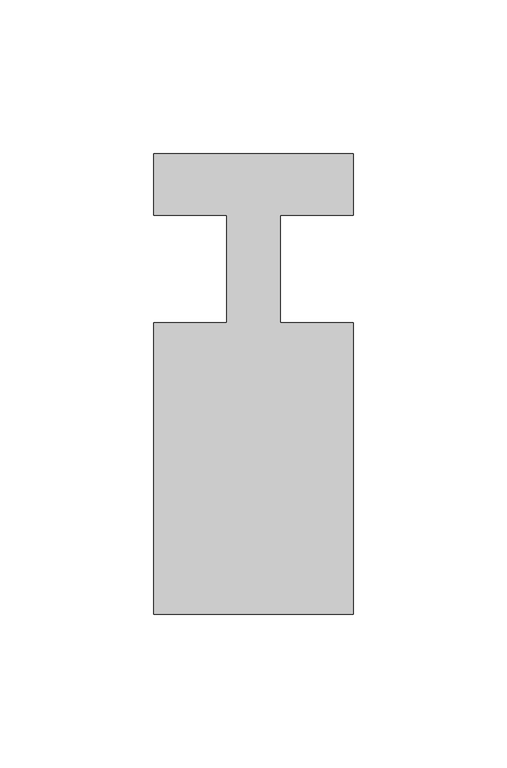
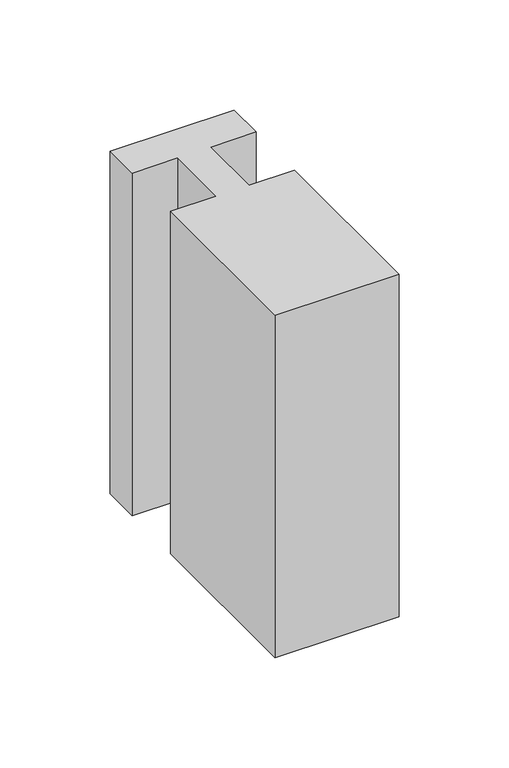
"""IFC4 building model written with IfcOpenShell, lengths in millimetres: member geometry."""

from ifc_helpers import new_model, si_unit, frame, origin, place, context, project, spatial, polyline, outline, extrude, source, transform, mapped, element, save


def member_ed47db3e(model_context):
    return source(origin(), model_context, "Body", "SweptSolid", [
        extrude(outline(polyline([(0.0, 37.0), (0.0, 17.0), (-23.8125, 17.0), (-23.8125, -18.0), (0.0, -18.0), (0.0, -113.0), (-65.0, -113.0), (-65.0, -18.0), (-41.1875, -18.0), (-41.1875, 17.0), (-65.0, 17.0), (-65.0, 37.0), (0.0, 37.0)])), frame((0.0, 0.0, -190.0), z_axis=(0.0, 0.0, 1.0), x_axis=(1.0, 0.0, 0.0)), (0.0, 0.0, 1.0), 190.0),
    ])


if __name__ == "__main__":
    model = new_model("IFC4")
    model_context = context("Model", 3, world=origin())
    ifc_project = project(units=[si_unit("LENGTHUNIT", "METRE", prefix="MILLI")], contexts=[model_context])
    site = spatial("IfcSite", under=ifc_project)
    building = spatial("IfcBuilding", under=site)
    placement = place(None, origin())
    member_shape = member_ed47db3e(model_context)
    element("IfcMember", 1, at=placement, inside=building, context=model_context, shape_type="MappedRepresentation", body=[
        mapped(member_shape, transform((0.0, 0.0, 0.0), x_axis=(1.0, 0.0, 0.0), y_axis=(0.0, 1.0, 0.0), z_axis=(0.0, 0.0, 1.0))),
    ])
    save(model, "model.ifc")
